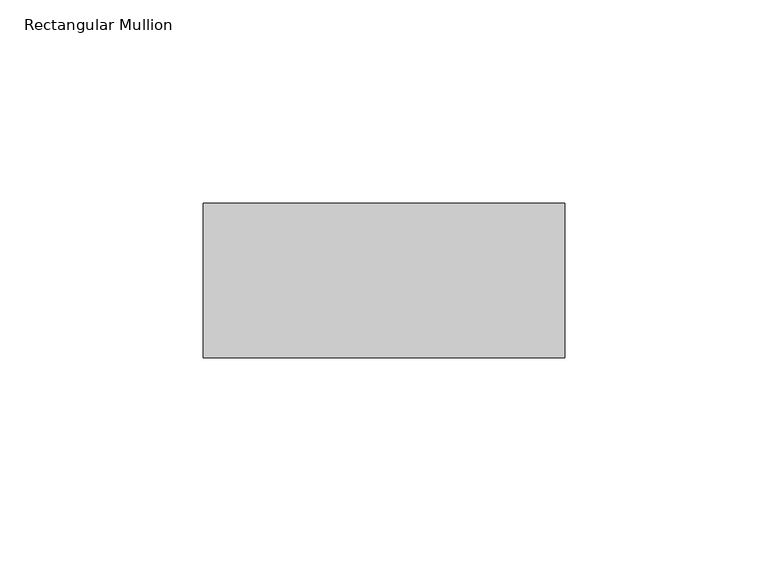
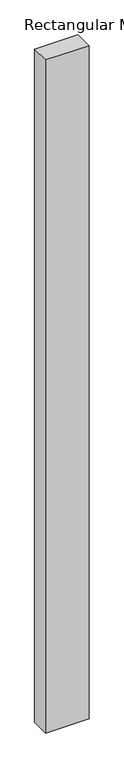
"""IFC4 building model written with IfcOpenShell, lengths in millimetres: member geometry, Rectangular Mullion."""

from ifc_helpers import new_model, si_unit, frame, origin, place, context, project, spatial, polyline, outline, extrude, source, transform, mapped, element, save


def rectangular_mullion_7e141d09(model_context):
    return source(origin(), model_context, "Body", "SweptSolid", [
        extrude(outline(polyline([(44.5, 58.0), (44.5, 20.0), (-44.5, 20.0), (-44.5, 58.0), (44.5, 58.0)])), frame((0.0, 0.0, -1457.0), z_axis=(0.0, 0.0, 1.0), x_axis=(1.0, 0.0, 0.0)), (0.0, 0.0, 1.0), 1457.0),
    ])


if __name__ == "__main__":
    model = new_model("IFC4")
    model_context = context("Model", 3, world=origin())
    ifc_project = project(units=[si_unit("LENGTHUNIT", "METRE", prefix="MILLI")], contexts=[model_context])
    site = spatial("IfcSite", under=ifc_project)
    building = spatial("IfcBuilding", under=site)
    placement = place(None, origin())
    rectangular_mullion_shape = rectangular_mullion_7e141d09(model_context)
    element("IfcMember", 1, ObjectType="Rectangular Mullion", at=placement, inside=building, context=model_context, shape_type="MappedRepresentation", body=[
        mapped(rectangular_mullion_shape, transform((0.0, 0.0, 0.0), x_axis=(1.0, 0.0, 0.0), y_axis=(0.0, 1.0, 0.0), z_axis=(0.0, 0.0, 1.0))),
    ])
    save(model, "model.ifc")
